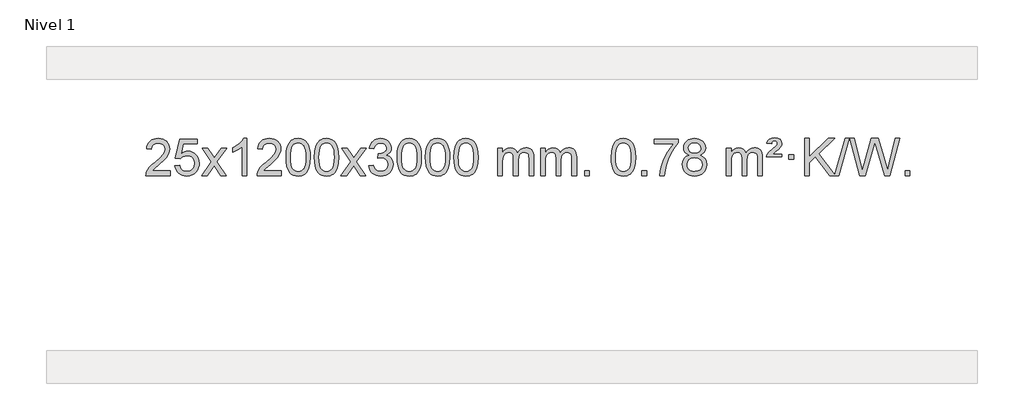
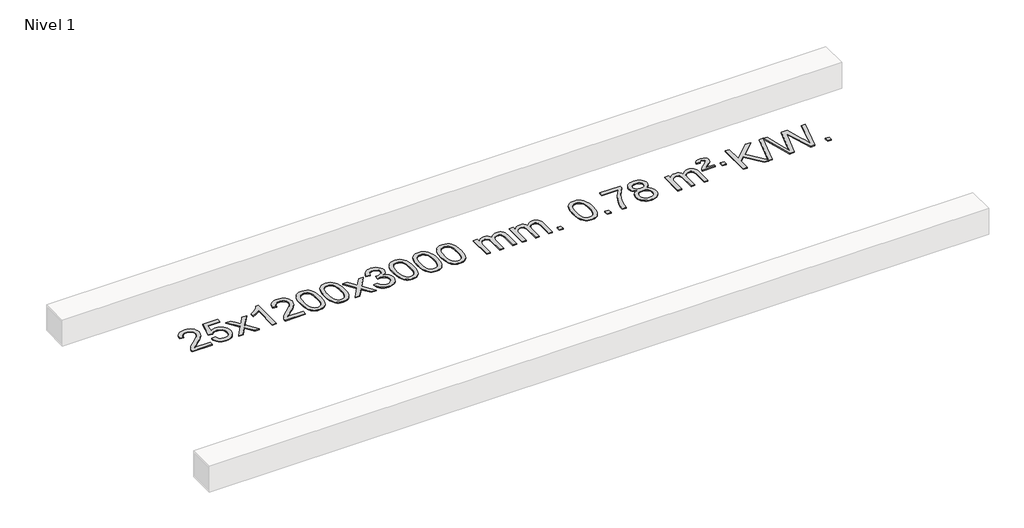
# One storey, part 2 of 7: 1 proxy.
"""IFC4 building model written with IfcOpenShell, lengths in millimetres."""

from ifc_helpers import new_model, si_unit, origin, origin_with_axes, place, context, project, spatial, polyline, outline, extrude, element, save

model = new_model("IFC4")

# Units and contexts
model_context = context("Model", 3, world=origin())
ifc_project = project(units=[si_unit("LENGTHUNIT", "METRE", prefix="MILLI")], contexts=[model_context])

# Site, building, storey
site = spatial("IfcSite", under=ifc_project)
building = spatial("IfcBuilding", under=site)
storey = spatial("IfcBuildingStorey", under=building, Name="Nivel 1", Elevation=0.0)

# Proxy
placement = place(None, origin())
element("IfcBuildingElementProxy", 1, Name="Texto de modelo 1", ObjectType="Texto de modelo 1", at=placement, inside=storey, context=model_context, shape_type="SweptSolid", body=[
    extrude(outline(polyline([(-23553.723944, -966.0966486), (-23553.723944, -1016.3248037), (-23817.4217581, -1016.3248037), (-23816.3181122, -998.6419425), (-23812.0261556, -981.6948452), (-23799.640795, -954.6309931), (-23781.5164754, -928.3764814), (-23755.2987519, -900.8956963), (-23718.6331797, -870.1530243), (-23664.4318991, -822.0095338), (-23631.9111307, -786.4721331), (-23615.6507465, -757.6301847), (-23610.2306185, -729.5730512), (-23615.3441782, -704.4221855), (-23630.6848574, -683.5142254), (-23654.2660933, -669.424345), (-23684.1013231, -664.7277182), (-23715.4326064, -669.3139804), (-23739.7741317, -683.072767), (-23755.4826929, -704.9249575), (-23760.9150837, -733.7914314), (-23811.1432388, -727.512912), (-23806.823691, -701.5833627), (-23798.9663447, -678.9279632), (-23787.5711999, -659.5467134), (-23772.6382566, -643.4396134), (-23754.5108713, -630.7783414), (-23733.5324005, -621.7345757), (-23709.7028443, -616.3083162), (-23683.0222026, -614.4995631), (-23656.1024376, -616.5106513), (-23632.1441226, -622.5439161), (-23611.1472578, -632.5993573), (-23593.111843, -646.6769749), (-23578.6264894, -663.7344368), (-23568.2798083, -682.7294105), (-23562.0717996, -703.661896), (-23560.0024634, -726.5318934), (-23562.2342808, -750.5545876), (-23568.9297331, -774.160349), (-23580.8123216, -798.1707806), (-23598.6055474, -823.4074854), (-23626.9692492, -853.5370208), (-23670.5632657, -892.225944), (-23728.3452644, -940.5411127), (-23751.0067953, -966.0966486), (-23553.723944, -966.0966486)])), origin_with_axes(), (0.0, 0.0, 1.0), 10.0),
    extrude(outline(polyline([(-23503.4957889, -909.5899742), (-23453.2676339, -903.3114548), (-23444.0460585, -933.4655156), (-23427.9573526, -955.0601888), (-23405.0750925, -968.0464232), (-23375.4728546, -972.375168), (-23356.3429909, -970.8699175), (-23339.46947, -966.354166), (-23324.8522921, -958.8279135), (-23312.491457, -948.2911601), (-23302.6628764, -935.2650717), (-23295.6424617, -920.2708148), (-23290.0261299, -884.3777948), (-23295.2868424, -850.5817021), (-23301.8627331, -836.6635), (-23311.06898, -824.7318606), (-23322.93624, -815.1607974), (-23337.49517, -808.3243236), (-23374.6880397, -802.8551446), (-23399.0540905, -805.0379111), (-23418.7848282, -811.5862106), (-23434.5424403, -821.6171264), (-23446.9891145, -834.2477415), (-23497.2172695, -827.9692222), (-23453.2676339, -620.7780825), (-23258.6335329, -620.7780825), (-23258.6335329, -671.0062376), (-23412.6534616, -671.0062376), (-23434.1377701, -781.6651417), (-23416.4119893, -768.9609501), (-23398.2570128, -759.8865276), (-23379.6728407, -754.4418741), (-23360.6594729, -752.6269896), (-23336.1983859, -754.8772011), (-23313.7299931, -761.6278357), (-23293.2542944, -772.8788934), (-23274.7712898, -788.6303741), (-23259.4704645, -807.9196534), (-23248.5413035, -829.7841067), (-23241.983807, -854.2237339), (-23239.7979748, -881.2385351), (-23241.7661435, -907.2600549), (-23247.6706495, -931.4666901), (-23257.5114929, -953.8584409), (-23271.2886736, -974.4353072), (-23292.1598454, -995.5088141), (-23316.5136335, -1010.5613191), (-23344.3500378, -1019.5928221), (-23375.6690583, -1022.6033231), (-23401.5894106, -1020.6688769), (-23425.0020339, -1014.8655384), (-23445.9069283, -1005.1933077), (-23464.3040937, -991.6521846), (-23479.6110504, -974.9166195), (-23491.2453185, -955.6610627), (-23499.206898, -933.8855143), (-23503.4957889, -909.5899742)])), origin_with_axes(), (0.0, 0.0, 1.0), 10.0),
    extrude(outline(polyline([(-23214.6838972, -1016.3248037), (-23107.3604565, -867.9947832), (-23208.4053779, -721.2343926), (-23147.9746288, -721.2343926), (-23099.2180017, -791.8677357), (-23076.4583689, -825.2223699), (-23056.739894, -797.9500514), (-23001.2142382, -721.2343926), (-22940.7834891, -721.2343926), (-23046.9297074, -867.9947832), (-22944.7075637, -1016.3248037), (-23005.1383128, -1016.3248037), (-23066.6481824, -927.1502081), (-23077.9298969, -910.8652984), (-23154.2531482, -1016.3248037), (-23214.6838972, -1016.3248037)])), origin_with_axes(), (0.0, 0.0, 1.0), 10.0),
    extrude(outline(polyline([(-22724.9593853, -1016.3248037), (-22775.1875403, -1016.3248037), (-22775.1875403, -703.1836494), (-22796.1568141, -720.1430094), (-22822.7669451, -737.0778439), (-22875.6438505, -762.4371761), (-22875.6438505, -714.9558732), (-22836.1946379, -693.4960902), (-22802.0184005, -667.9650797), (-22775.0771757, -640.8153885), (-22757.3330008, -614.4995631), (-22724.9593853, -614.4995631), (-22724.9593853, -1016.3248037)])), origin_with_axes(), (0.0, 0.0, 1.0), 10.0),
    extrude(outline(polyline([(-22348.2482222, -966.0966486), (-22348.2482222, -1016.3248037), (-22611.9460364, -1016.3248037), (-22610.8423904, -998.6419425), (-22606.5504338, -981.6948452), (-22594.1650733, -954.6309931), (-22576.0407536, -928.3764814), (-22549.8230301, -900.8956963), (-22513.1574579, -870.1530243), (-22458.9561773, -822.0095338), (-22426.4354089, -786.4721331), (-22410.1750247, -757.6301847), (-22404.7548967, -729.5730512), (-22409.8684564, -704.4221855), (-22425.2091356, -683.5142254), (-22448.7903715, -669.424345), (-22478.6256013, -664.7277182), (-22509.9568846, -669.3139804), (-22534.2984099, -683.072767), (-22550.0069711, -704.9249575), (-22555.4393619, -733.7914314), (-22605.667517, -727.512912), (-22601.3479692, -701.5833627), (-22593.4906229, -678.9279632), (-22582.0954781, -659.5467134), (-22567.1625348, -643.4396134), (-22549.0351495, -630.7783414), (-22528.0566787, -621.7345757), (-22504.2271225, -616.3083162), (-22477.5464808, -614.4995631), (-22450.6267158, -616.5106513), (-22426.6684008, -622.5439161), (-22405.671536, -632.5993573), (-22387.6361212, -646.6769749), (-22373.1507676, -663.7344368), (-22362.8040865, -682.7294105), (-22356.5960778, -703.661896), (-22354.5267416, -726.5318934), (-22356.758559, -750.5545876), (-22363.4540113, -774.160349), (-22375.3365998, -798.1707806), (-22393.1298256, -823.4074854), (-22421.4935274, -853.5370208), (-22465.0875439, -892.225944), (-22522.8695426, -940.5411127), (-22545.5310735, -966.0966486), (-22348.2482222, -966.0966486)])), origin_with_axes(), (0.0, 0.0, 1.0), 10.0),
    extrude(outline(polyline([(-22298.0200671, -818.649545), (-22294.3289844, -754.3315095), (-22283.2557364, -703.0364966), (-22264.9106876, -663.9796914), (-22253.0526246, -648.7463112), (-22239.4042026, -636.3762791), (-22223.9194363, -626.8052158), (-22206.5523404, -619.9687421), (-22166.1711601, -614.4995631), (-22135.2200215, -617.7369247), (-22107.5062446, -627.4490093), (-22084.3296789, -643.2556724), (-22066.9901742, -664.7767691), (-22053.8935751, -691.8283585), (-22043.4457265, -724.2264995), (-22036.6031214, -765.3679693), (-22034.322253, -818.649545), (-22037.9765475, -882.5996984), (-22048.9394309, -933.772084), (-22067.1741152, -972.8656773), (-22079.004587, -988.1450429), (-22092.643812, -1000.5794543), (-22108.1469724, -1010.2148969), (-22125.5692505, -1017.0973559), (-22166.1711601, -1022.6033231), (-22193.8358861, -1020.2120901), (-22218.3613524, -1013.0383912), (-22239.7475591, -1001.0822264), (-22257.9945061, -984.3435956), (-22275.505689, -954.0853015), (-22288.0136769, -916.3835283), (-22295.5184696, -871.2382762), (-22298.0200671, -818.649545)]), holes=[polyline([(-22247.7919121, -818.5514431), (-22246.3203841, -862.2159702), (-22241.9058001, -897.5602329), (-22234.5481602, -924.5842311), (-22224.2474644, -943.2879649), (-22211.7885275, -956.0136163), (-22197.9561644, -965.1033672), (-22182.7503753, -970.5572178), (-22166.1711601, -972.375168), (-22149.5919448, -970.5510864), (-22134.3861557, -965.0788418), (-22120.5537927, -955.958434), (-22108.0948558, -943.1898631), (-22097.7941599, -924.4554724), (-22090.43652, -897.4376056), (-22086.021936, -862.1362625), (-22084.5504081, -818.5514431), (-22085.9728851, -776.0426785), (-22090.2403163, -741.3207496), (-22097.3527015, -714.3856562), (-22107.3100408, -695.2373983), (-22119.5605113, -681.8894132), (-22133.5522898, -672.3551382), (-22149.2853765, -666.6345732), (-22166.7597713, -664.7277182), (-22183.2531474, -666.4077126), (-22198.2014191, -671.4476959), (-22211.6045865, -679.8476682), (-22223.4626494, -691.6076293), (-22234.1067018, -712.4542757), (-22241.7095964, -740.5604601), (-22246.2713331, -775.9261826), (-22247.7919121, -818.5514431)])]), origin_with_axes(), (0.0, 0.0, 1.0), 10.0),
    extrude(outline(polyline([(-21990.3726173, -818.649545), (-21986.6815346, -754.3315095), (-21975.6082866, -703.0364966), (-21957.2632377, -663.9796914), (-21945.4051748, -648.7463112), (-21931.7567527, -636.3762791), (-21916.2719864, -626.8052158), (-21898.9048906, -619.9687421), (-21858.5237102, -614.4995631), (-21827.5725717, -617.7369247), (-21799.8587947, -627.4490093), (-21776.682229, -643.2556724), (-21759.3427243, -664.7767691), (-21746.2461253, -691.8283585), (-21735.7982766, -724.2264995), (-21728.9556715, -765.3679693), (-21726.6748032, -818.649545), (-21730.3290976, -882.5996984), (-21741.2919811, -933.772084), (-21759.5266653, -972.8656773), (-21771.3571372, -988.1450429), (-21784.9963621, -1000.5794543), (-21800.4995225, -1010.2148969), (-21817.9218007, -1017.0973559), (-21858.5237102, -1022.6033231), (-21886.1884363, -1020.2120901), (-21910.7139026, -1013.0383912), (-21932.1001093, -1001.0822264), (-21950.3470562, -984.3435956), (-21967.8582392, -954.0853015), (-21980.366227, -916.3835283), (-21987.8710197, -871.2382762), (-21990.3726173, -818.649545)]), holes=[polyline([(-21940.1444622, -818.5514431), (-21938.6729342, -862.2159702), (-21934.2583503, -897.5602329), (-21926.9007104, -924.5842311), (-21916.6000145, -943.2879649), (-21904.1410776, -956.0136163), (-21890.3087146, -965.1033672), (-21875.1029255, -970.5572178), (-21858.5237102, -972.375168), (-21841.944495, -970.5510864), (-21826.7387058, -965.0788418), (-21812.9063428, -955.958434), (-21800.4474059, -943.1898631), (-21790.1467101, -924.4554724), (-21782.7890702, -897.4376056), (-21778.3744862, -862.1362625), (-21776.9029582, -818.5514431), (-21778.3254353, -776.0426785), (-21782.5928664, -741.3207496), (-21789.7052517, -714.3856562), (-21799.662591, -695.2373983), (-21811.9130614, -681.8894132), (-21825.90484, -672.3551382), (-21841.6379267, -666.6345732), (-21859.1123214, -664.7277182), (-21875.6056975, -666.4077126), (-21890.5539693, -671.4476959), (-21903.9571366, -679.8476682), (-21915.8151996, -691.6076293), (-21926.459252, -712.4542757), (-21934.0621466, -740.5604601), (-21938.6238833, -775.9261826), (-21940.1444622, -818.5514431)])]), origin_with_axes(), (0.0, 0.0, 1.0), 10.0),
    extrude(outline(polyline([(-21701.5607256, -1016.3248037), (-21594.2372849, -867.9947832), (-21695.2822062, -721.2343926), (-21634.8514572, -721.2343926), (-21586.0948301, -791.8677357), (-21563.3351973, -825.2223699), (-21543.6167224, -797.9500514), (-21488.0910666, -721.2343926), (-21427.6603175, -721.2343926), (-21533.8065358, -867.9947832), (-21431.5843921, -1016.3248037), (-21492.0151412, -1016.3248037), (-21553.5250108, -927.1502081), (-21564.8067253, -910.8652984), (-21641.1299765, -1016.3248037), (-21701.5607256, -1016.3248037)])), origin_with_axes(), (0.0, 0.0, 1.0), 10.0),
    extrude(outline(polyline([(-21400.1917952, -909.5899742), (-21349.9636401, -903.3114548), (-21338.7187138, -934.87573), (-21322.2498631, -956.1883602), (-21299.7477478, -968.3284661), (-21270.4030273, -972.375168), (-21235.9692725, -966.8078871), (-21221.6954511, -959.8487861), (-21209.383667, -950.1060446), (-21192.3875188, -925.1881708), (-21186.7221361, -894.9727962), (-21192.3384679, -866.2902633), (-21209.1874633, -843.0278585), (-21234.6939483, -827.6136029), (-21266.2827489, -822.4755177), (-21301.5013186, -827.9692222), (-21295.9095123, -777.7410671), (-21287.8651593, -778.3296783), (-21257.7724121, -774.7244347), (-21230.8679755, -763.9087041), (-21219.7947275, -755.729461), (-21211.8852646, -745.6127062), (-21207.1395868, -733.5584395), (-21205.5576943, -719.5666609), (-21210.1439565, -697.8738859), (-21223.9027431, -680.2768638), (-21244.8965423, -668.6150046), (-21271.1878422, -664.7277182), (-21297.5281931, -668.6517928), (-21319.0615525, -680.4240166), (-21334.7823764, -700.0443897), (-21343.6851207, -727.512912), (-21393.9132758, -721.2343926), (-21387.9597188, -697.2546179), (-21379.1244196, -676.13206), (-21367.407378, -657.866719), (-21352.8085942, -642.4585947), (-21335.7879205, -630.2265184), (-21316.8052096, -621.489321), (-21295.8604613, -616.2470026), (-21272.9536758, -614.4995631), (-21241.3771379, -617.9453911), (-21212.3757739, -628.2828752), (-21187.923884, -644.5923103), (-21169.9957681, -665.9539915), (-21158.9960964, -690.565297), (-21155.3295392, -716.623605), (-21158.8121554, -740.9038166), (-21169.2600041, -762.9276854), (-21186.5259324, -781.6896672), (-21210.4627875, -796.1842178), (-21179.0211397, -808.8884093), (-21155.7219466, -830.5198707), (-21141.3009724, -859.9013793), (-21136.493981, -895.855713), (-21138.8974767, -921.3376725), (-21146.1079638, -944.8085438), (-21158.1254423, -966.2683269), (-21174.9499123, -985.7170217), (-21195.4470708, -1001.8547786), (-21218.482615, -1013.3817477), (-21244.0565451, -1020.2979292), (-21272.1688608, -1022.6033231), (-21297.577244, -1020.6351544), (-21320.7292842, -1014.7306484), (-21341.6249815, -1004.889805), (-21360.264336, -991.1126243), (-21375.8931894, -974.2084466), (-21387.7573837, -954.9866124), (-21395.856919, -933.4471215), (-21400.1917952, -909.5899742)])), origin_with_axes(), (0.0, 0.0, 1.0), 10.0),
    extrude(outline(polyline([(-21092.5443453, -818.649545), (-21088.8532627, -754.3315095), (-21077.7800146, -703.0364966), (-21059.4349658, -663.9796914), (-21047.5769028, -648.7463112), (-21033.9284808, -636.3762791), (-21018.4437145, -626.8052158), (-21001.0766186, -619.9687421), (-20960.6954383, -614.4995631), (-20929.7442997, -617.7369247), (-20902.0305228, -627.4490093), (-20878.8539571, -643.2556724), (-20861.5144524, -664.7767691), (-20848.4178533, -691.8283585), (-20837.9700047, -724.2264995), (-20831.1273996, -765.3679693), (-20828.8465312, -818.649545), (-20832.5008257, -882.5996984), (-20843.4637091, -933.772084), (-20861.6983934, -972.8656773), (-20873.5288652, -988.1450429), (-20887.1680902, -1000.5794543), (-20902.6712506, -1010.2148969), (-20920.0935287, -1017.0973559), (-20960.6954383, -1022.6033231), (-20988.3601643, -1020.2120901), (-21012.8856306, -1013.0383912), (-21034.2718373, -1001.0822264), (-21052.5187843, -984.3435956), (-21070.0299672, -954.0853015), (-21082.5379551, -916.3835283), (-21090.0427478, -871.2382762), (-21092.5443453, -818.649545)]), holes=[polyline([(-21042.3161903, -818.5514431), (-21040.8446623, -862.2159702), (-21036.4300783, -897.5602329), (-21029.0724384, -924.5842311), (-21018.7717426, -943.2879649), (-21006.3128057, -956.0136163), (-20992.4804427, -965.1033672), (-20977.2746535, -970.5572178), (-20960.6954383, -972.375168), (-20944.116223, -970.5510864), (-20928.9104339, -965.0788418), (-20915.0780709, -955.958434), (-20902.619134, -943.1898631), (-20892.3184381, -924.4554724), (-20884.9607982, -897.4376056), (-20880.5462143, -862.1362625), (-20879.0746863, -818.5514431), (-20880.4971633, -776.0426785), (-20884.7645945, -741.3207496), (-20891.8769797, -714.3856562), (-20901.834319, -695.2373983), (-20914.0847895, -681.8894132), (-20928.076568, -672.3551382), (-20943.8096547, -666.6345732), (-20961.2840495, -664.7277182), (-20977.7774256, -666.4077126), (-20992.7256973, -671.4476959), (-21006.1288647, -679.8476682), (-21017.9869276, -691.6076293), (-21028.63098, -712.4542757), (-21036.2338746, -740.5604601), (-21040.7956114, -775.9261826), (-21042.3161903, -818.5514431)])]), origin_with_axes(), (0.0, 0.0, 1.0), 10.0),
    extrude(outline(polyline([(-20784.8968955, -818.649545), (-20781.2058128, -754.3315095), (-20770.1325648, -703.0364966), (-20751.7875159, -663.9796914), (-20739.929453, -648.7463112), (-20726.2810309, -636.3762791), (-20710.7962646, -626.8052158), (-20693.4291688, -619.9687421), (-20653.0479884, -614.4995631), (-20622.0968499, -617.7369247), (-20594.3830729, -627.4490093), (-20571.2065072, -643.2556724), (-20553.8670025, -664.7767691), (-20540.7704035, -691.8283585), (-20530.3225548, -724.2264995), (-20523.4799497, -765.3679693), (-20521.1990814, -818.649545), (-20524.8533758, -882.5996984), (-20535.8162593, -933.772084), (-20554.0509435, -972.8656773), (-20565.8814154, -988.1450429), (-20579.5206403, -1000.5794543), (-20595.0238007, -1010.2148969), (-20612.4460789, -1017.0973559), (-20653.0479884, -1022.6033231), (-20680.7127145, -1020.2120901), (-20705.2381808, -1013.0383912), (-20726.6243875, -1001.0822264), (-20744.8713344, -984.3435956), (-20762.3825174, -954.0853015), (-20774.8905052, -916.3835283), (-20782.3952979, -871.2382762), (-20784.8968955, -818.649545)]), holes=[polyline([(-20734.6687404, -818.5514431), (-20733.1972124, -862.2159702), (-20728.7826285, -897.5602329), (-20721.4249886, -924.5842311), (-20711.1242927, -943.2879649), (-20698.6653558, -956.0136163), (-20684.8329928, -965.1033672), (-20669.6272037, -970.5572178), (-20653.0479884, -972.375168), (-20636.4687732, -970.5510864), (-20621.2629841, -965.0788418), (-20607.430621, -955.958434), (-20594.9716841, -943.1898631), (-20584.6709883, -924.4554724), (-20577.3133484, -897.4376056), (-20572.8987644, -862.1362625), (-20571.4272364, -818.5514431), (-20572.8497135, -776.0426785), (-20577.1171446, -741.3207496), (-20584.2295299, -714.3856562), (-20594.1868692, -695.2373983), (-20606.4373396, -681.8894132), (-20620.4291182, -672.3551382), (-20636.1622049, -666.6345732), (-20653.6365996, -664.7277182), (-20670.1299757, -666.4077126), (-20685.0782475, -671.4476959), (-20698.4814148, -679.8476682), (-20710.3394778, -691.6076293), (-20720.9835302, -712.4542757), (-20728.5864248, -740.5604601), (-20733.1481615, -775.9261826), (-20734.6687404, -818.5514431)])]), origin_with_axes(), (0.0, 0.0, 1.0), 10.0),
    extrude(outline(polyline([(-20477.2494457, -818.649545), (-20473.558363, -754.3315095), (-20462.4851149, -703.0364966), (-20444.1400661, -663.9796914), (-20432.2820031, -648.7463112), (-20418.6335811, -636.3762791), (-20403.1488148, -626.8052158), (-20385.7817189, -619.9687421), (-20345.4005386, -614.4995631), (-20314.4494001, -617.7369247), (-20286.7356231, -627.4490093), (-20263.5590574, -643.2556724), (-20246.2195527, -664.7767691), (-20233.1229537, -691.8283585), (-20222.675105, -724.2264995), (-20215.8324999, -765.3679693), (-20213.5516315, -818.649545), (-20217.205926, -882.5996984), (-20228.1688095, -933.772084), (-20246.4034937, -972.8656773), (-20258.2339655, -988.1450429), (-20271.8731905, -1000.5794543), (-20287.3763509, -1010.2148969), (-20304.7986291, -1017.0973559), (-20345.4005386, -1022.6033231), (-20373.0652646, -1020.2120901), (-20397.590731, -1013.0383912), (-20418.9769376, -1001.0822264), (-20437.2238846, -984.3435956), (-20454.7350676, -954.0853015), (-20467.2430554, -916.3835283), (-20474.7478481, -871.2382762), (-20477.2494457, -818.649545)]), holes=[polyline([(-20427.0212906, -818.5514431), (-20425.5497626, -862.2159702), (-20421.1351787, -897.5602329), (-20413.7775388, -924.5842311), (-20403.4768429, -943.2879649), (-20391.017906, -956.0136163), (-20377.185543, -965.1033672), (-20361.9797538, -970.5572178), (-20345.4005386, -972.375168), (-20328.8213234, -970.5510864), (-20313.6155342, -965.0788418), (-20299.7831712, -955.958434), (-20287.3242343, -943.1898631), (-20277.0235384, -924.4554724), (-20269.6658985, -897.4376056), (-20265.2513146, -862.1362625), (-20263.7797866, -818.5514431), (-20265.2022637, -776.0426785), (-20269.4696948, -741.3207496), (-20276.58208, -714.3856562), (-20286.5394194, -695.2373983), (-20298.7898898, -681.8894132), (-20312.7816684, -672.3551382), (-20328.514755, -666.6345732), (-20345.9891498, -664.7277182), (-20362.4825259, -666.4077126), (-20377.4307976, -671.4476959), (-20390.833965, -679.8476682), (-20402.692028, -691.6076293), (-20413.3360804, -712.4542757), (-20420.9389749, -740.5604601), (-20425.5007117, -775.9261826), (-20427.0212906, -818.5514431)])]), origin_with_axes(), (0.0, 0.0, 1.0), 10.0),
    extrude(outline(polyline([(-20000.0819725, -1016.3248037), (-20000.0819725, -721.2343926), (-19949.8538174, -721.2343926), (-19949.8538174, -769.794816), (-19934.7461301, -747.4889044), (-19915.3219608, -730.0145096), (-19892.2434969, -718.7205323), (-19866.1729262, -714.9558732), (-19838.23842, -718.7941087), (-19815.8466693, -730.3088152), (-19799.1203012, -748.7397031), (-19788.1819432, -773.3264831), (-19769.8736826, -747.7893413), (-19748.990248, -729.5485257), (-19725.5316395, -718.6040364), (-19699.4978569, -714.9558732), (-19679.3900402, -716.4733865), (-19661.7409015, -721.0259262), (-19646.5504408, -728.6134923), (-19633.8186581, -739.2360849), (-19623.7540198, -753.0163313), (-19616.5649925, -770.0768589), (-19612.2515761, -790.4176675), (-19610.8137706, -814.0387573), (-19610.8137706, -1016.3248037), (-19661.0419257, -1016.3248037), (-19661.0419257, -835.6211677), (-19662.2068854, -810.5684038), (-19665.7017643, -793.6826202), (-19672.2500638, -782.1188628), (-19682.5752852, -773.0321776), (-19695.8558252, -767.1460656), (-19711.2700808, -765.1840283), (-19738.4810857, -770.2117489), (-19760.66437, -785.2949107), (-19769.269743, -796.8647995), (-19775.416438, -811.4635833), (-19780.333794, -849.7478363), (-19780.333794, -1016.3248037), (-19830.5619491, -1016.3248037), (-19830.5619491, -830.0293613), (-19833.4682168, -801.6288713), (-19842.1870201, -781.3708361), (-19857.5276993, -769.2307303), (-19880.2995948, -765.1840283), (-19899.6501878, -767.8818296), (-19917.4802018, -775.9752335), (-19932.1954816, -789.2680363), (-19942.2018719, -807.5640342), (-19947.940831, -832.9478918), (-19949.8538174, -867.5042739), (-19949.8538174, -1016.3248037), (-20000.0819725, -1016.3248037)])), origin_with_axes(), (0.0, 0.0, 1.0), 10.0),
    extrude(outline(polyline([(-19535.471538, -1016.3248037), (-19535.471538, -721.2343926), (-19485.2433829, -721.2343926), (-19485.2433829, -769.794816), (-19470.1356957, -747.4889044), (-19450.7115263, -730.0145096), (-19427.6330625, -718.7205323), (-19401.5624918, -714.9558732), (-19373.6279856, -718.7941087), (-19351.2362348, -730.3088152), (-19334.5098668, -748.7397031), (-19323.5715088, -773.3264831), (-19305.2632482, -747.7893413), (-19284.3798136, -729.5485257), (-19260.921205, -718.6040364), (-19234.8874225, -714.9558732), (-19214.7796058, -716.4733865), (-19197.1304671, -721.0259262), (-19181.9400063, -728.6134923), (-19169.2082236, -739.2360849), (-19159.1435854, -753.0163313), (-19151.954558, -770.0768589), (-19147.6411417, -790.4176675), (-19146.2033362, -814.0387573), (-19146.2033362, -1016.3248037), (-19196.4314913, -1016.3248037), (-19196.4314913, -835.6211677), (-19197.5964509, -810.5684038), (-19201.0913299, -793.6826202), (-19207.6396294, -782.1188628), (-19217.9648507, -773.0321776), (-19231.2453907, -767.1460656), (-19246.6596463, -765.1840283), (-19273.8706512, -770.2117489), (-19296.0539356, -785.2949107), (-19304.6593086, -796.8647995), (-19310.8060036, -811.4635833), (-19315.7233596, -849.7478363), (-19315.7233596, -1016.3248037), (-19365.9515146, -1016.3248037), (-19365.9515146, -830.0293613), (-19368.8577824, -801.6288713), (-19377.5765857, -781.3708361), (-19392.9172649, -769.2307303), (-19415.6891604, -765.1840283), (-19435.0397533, -767.8818296), (-19452.8697674, -775.9752335), (-19467.5850472, -789.2680363), (-19477.5914374, -807.5640342), (-19483.3303966, -832.9478918), (-19485.2433829, -867.5042739), (-19485.2433829, -1016.3248037), (-19535.471538, -1016.3248037)])), origin_with_axes(), (0.0, 0.0, 1.0), 10.0),
    extrude(outline(polyline([(-19058.3040648, -1016.3248037), (-19058.3040648, -966.0966486), (-19008.0759097, -966.0966486), (-19008.0759097, -1016.3248037), (-19058.3040648, -1016.3248037)])), origin_with_axes(), (0.0, 0.0, 1.0), 10.0),
    extrude(outline(polyline([(-18769.4921731, -818.649545), (-18765.8010904, -754.3315095), (-18754.7278424, -703.0364966), (-18736.3827936, -663.9796914), (-18724.5247306, -648.7463112), (-18710.8763086, -636.3762791), (-18695.3915423, -626.8052158), (-18678.0244464, -619.9687421), (-18637.6432661, -614.4995631), (-18606.6921275, -617.7369247), (-18578.9783506, -627.4490093), (-18555.8017849, -643.2556724), (-18538.4622802, -664.7767691), (-18525.3656811, -691.8283585), (-18514.9178325, -724.2264995), (-18508.0752274, -765.3679693), (-18505.794359, -818.649545), (-18509.4486535, -882.5996984), (-18520.4115369, -933.772084), (-18538.6462212, -972.8656773), (-18550.476693, -988.1450429), (-18564.115918, -1000.5794543), (-18579.6190784, -1010.2148969), (-18597.0413565, -1017.0973559), (-18637.6432661, -1022.6033231), (-18665.3079921, -1020.2120901), (-18689.8334584, -1013.0383912), (-18711.2196651, -1001.0822264), (-18729.4666121, -984.3435956), (-18746.977795, -954.0853015), (-18759.4857829, -916.3835283), (-18766.9905756, -871.2382762), (-18769.4921731, -818.649545)]), holes=[polyline([(-18719.2640181, -818.5514431), (-18717.7924901, -862.2159702), (-18713.3779061, -897.5602329), (-18706.0202662, -924.5842311), (-18695.7195704, -943.2879649), (-18683.2606335, -956.0136163), (-18669.4282704, -965.1033672), (-18654.2224813, -970.5572178), (-18637.6432661, -972.375168), (-18621.0640508, -970.5510864), (-18605.8582617, -965.0788418), (-18592.0258987, -955.958434), (-18579.5669618, -943.1898631), (-18569.2662659, -924.4554724), (-18561.908626, -897.4376056), (-18557.494042, -862.1362625), (-18556.0225141, -818.5514431), (-18557.4449911, -776.0426785), (-18561.7124223, -741.3207496), (-18568.8248075, -714.3856562), (-18578.7821468, -695.2373983), (-18591.0326173, -681.8894132), (-18605.0243958, -672.3551382), (-18620.7574825, -666.6345732), (-18638.2318772, -664.7277182), (-18654.7252534, -666.4077126), (-18669.6735251, -671.4476959), (-18683.0766925, -679.8476682), (-18694.9347554, -691.6076293), (-18705.5788078, -712.4542757), (-18713.1817024, -740.5604601), (-18717.7434391, -775.9261826), (-18719.2640181, -818.5514431)])]), origin_with_axes(), (0.0, 0.0, 1.0), 10.0),
    extrude(outline(polyline([(-18436.7306458, -1016.3248037), (-18436.7306458, -966.0966486), (-18386.5024907, -966.0966486), (-18386.5024907, -1016.3248037), (-18436.7306458, -1016.3248037)])), origin_with_axes(), (0.0, 0.0, 1.0), 10.0),
    extrude(outline(polyline([(-18304.8817387, -671.0062376), (-18304.8817387, -620.7780825), (-18041.1839245, -620.7780825), (-18041.1839245, -661.3922547), (-18078.7692017, -708.9593967), (-18115.9865969, -769.4514595), (-18148.8139336, -837.350213), (-18173.2290353, -907.1374275), (-18185.1974629, -959.3521454), (-18191.8683898, -1016.3248037), (-18242.0965448, -1016.3248037), (-18236.664154, -964.5515442), (-18222.1328152, -903.0171492), (-18198.8949359, -837.7916714), (-18167.3429234, -774.9451639), (-18130.505673, -718.1319211), (-18091.4120796, -671.0062376), (-18304.8817387, -671.0062376)])), origin_with_axes(), (0.0, 0.0, 1.0), 10.0),
    extrude(outline(polyline([(-17924.0502973, -795.0069954), (-17950.9424711, -781.7632436), (-17969.8148175, -763.8106022), (-17980.9616419, -741.5169533), (-17984.6772501, -715.2501788), (-17982.6538991, -694.7652831), (-17976.5838462, -675.9849072), (-17966.4670913, -658.9090513), (-17952.3036345, -643.5377152), (-17934.7740574, -630.8335237), (-17914.5589418, -621.7591011), (-17891.6582876, -616.3144476), (-17866.0720948, -614.4995631), (-17840.3632747, -616.3573672), (-17817.2909423, -621.9307794), (-17796.8550974, -631.2197998), (-17779.0557402, -644.2244283), (-17764.634766, -659.8962013), (-17754.3340702, -677.1866551), (-17748.1536527, -696.0957896), (-17746.0935135, -716.623605), (-17749.7600707, -742.0442508), (-17760.7597424, -763.957755), (-17779.2151558, -781.8000318), (-17805.2489383, -795.0069954), (-17774.334588, -810.9362858), (-17751.8324726, -834.3948943), (-17738.1104742, -864.2546496), (-17733.5364747, -899.3873802), (-17735.8050803, -924.440144), (-17742.6108973, -947.4082433), (-17753.9539254, -968.2916779), (-17769.8341649, -987.0904478), (-17789.4177498, -1002.6273307), (-17811.8708142, -1013.7251043), (-17837.1933582, -1020.3837684), (-17865.3853818, -1022.6033231), (-17893.5774053, -1020.3745713), (-17918.8999493, -1013.6883161), (-17941.3530138, -1002.5445573), (-17960.9365987, -986.943295), (-17976.8168381, -968.0127007), (-17988.1598663, -946.8809457), (-17994.9656832, -923.5480302), (-17997.2342889, -898.013954), (-17992.4763484, -861.5200601), (-17978.202527, -831.5008893), (-17955.1485886, -808.9865112), (-17924.0502973, -795.0069954)]), holes=[polyline([(-17947.0061338, -896.2481205), (-17944.9092064, -915.4638234), (-17938.6184243, -934.0663896), (-17927.005616, -950.2899856), (-17908.94261, -962.3687777), (-17887.3111487, -969.8735704), (-17864.9929743, -972.375168), (-17830.8044742, -967.1144555), (-17816.9107976, -960.5385648), (-17805.1508364, -951.3323179), (-17789.1111814, -927.4322509), (-17783.7646298, -897.8177503), (-17789.2828597, -867.7004776), (-17805.8375495, -843.2731132), (-17817.9163417, -833.8308086), (-17832.0797985, -827.0863054), (-17866.660706, -821.6907028), (-17900.3709595, -827.012729), (-17914.1082864, -833.6652617), (-17925.7670799, -842.9788076), (-17941.6963703, -866.9401882), (-17947.0061338, -896.2481205)]), polyline([(-17934.449095, -716.7217068), (-17929.9977229, -738.6474737), (-17916.6436064, -756.1586567), (-17894.7791532, -767.636575), (-17864.7967706, -771.4625477), (-17835.5133638, -767.6611004), (-17813.9800043, -756.2567586), (-17800.7362525, -739.3341868), (-17796.3216686, -718.9780497), (-17800.8834053, -697.8493605), (-17814.5686155, -680.3749657), (-17836.3962806, -668.6395301), (-17865.3853818, -664.7277182), (-17894.558424, -668.5536909), (-17916.3493008, -680.0316092), (-17929.9241465, -696.8560791), (-17934.449095, -716.7217068)])]), origin_with_axes(), (0.0, 0.0, 1.0), 10.0),
    extrude(outline(polyline([(-17520.0668156, -1016.3248037), (-17520.0668156, -721.2343926), (-17469.8386606, -721.2343926), (-17469.8386606, -769.794816), (-17454.7309733, -747.4889044), (-17435.306804, -730.0145096), (-17412.2283401, -718.7205323), (-17386.1577694, -714.9558732), (-17358.2232632, -718.7941087), (-17335.8315125, -730.3088152), (-17319.1051444, -748.7397031), (-17308.1667864, -773.3264831), (-17289.8585258, -747.7893413), (-17268.9750912, -729.5485257), (-17245.5164826, -718.6040364), (-17219.4827001, -714.9558732), (-17199.3748834, -716.4733865), (-17181.7257447, -721.0259262), (-17166.535284, -728.6134923), (-17153.8035012, -739.2360849), (-17143.738863, -753.0163313), (-17136.5498357, -770.0768589), (-17132.2364193, -790.4176675), (-17130.7986138, -814.0387573), (-17130.7986138, -1016.3248037), (-17181.0267689, -1016.3248037), (-17181.0267689, -835.6211677), (-17182.1917285, -810.5684038), (-17185.6866075, -793.6826202), (-17192.234907, -782.1188628), (-17202.5601283, -773.0321776), (-17215.8406684, -767.1460656), (-17231.254924, -765.1840283), (-17258.4659289, -770.2117489), (-17280.6492132, -785.2949107), (-17289.2545862, -796.8647995), (-17295.4012812, -811.4635833), (-17300.3186372, -849.7478363), (-17300.3186372, -1016.3248037), (-17350.5467923, -1016.3248037), (-17350.5467923, -830.0293613), (-17353.45306, -801.6288713), (-17362.1718633, -781.3708361), (-17377.5125425, -769.2307303), (-17400.284438, -765.1840283), (-17419.635031, -767.8818296), (-17437.465045, -775.9752335), (-17452.1803248, -789.2680363), (-17462.1867151, -807.5640342), (-17467.9256742, -832.9478918), (-17469.8386606, -867.5042739), (-17469.8386606, -1016.3248037), (-17520.0668156, -1016.3248037)])), origin_with_axes(), (0.0, 0.0, 1.0), 10.0),
    extrude(outline(polyline([(-17086.8489781, -815.4121834), (-17083.0230054, -799.5932576), (-17074.6843468, -783.7252809), (-17053.1755128, -758.5866779), (-17021.2188302, -730.8483754), (-16977.0729908, -693.4715647), (-16969.9360801, -681.9445955), (-16967.5571098, -670.1233208), (-16969.4455707, -658.0322659), (-16975.1109535, -648.2466048), (-16984.4796816, -641.7718817), (-16997.4781788, -639.6136406), (-17009.9125902, -641.2323214), (-17018.7662835, -646.0883637), (-17025.1919557, -655.5551938), (-17030.3423037, -671.0062376), (-17080.5704587, -664.7277182), (-17069.7302026, -639.5155388), (-17053.1019364, -621.9553049), (-17029.3367595, -611.654609), (-16997.0857713, -608.2210437), (-16961.3031159, -612.3535848), (-16936.5569204, -624.751208), (-16922.1359461, -643.0839941), (-16917.3289547, -665.0220238), (-16921.4247076, -687.9288093), (-16933.7119663, -709.5602706), (-16954.2397816, -729.3768475), (-16990.70915, -757.433981), (-17016.3137369, -784.0195865), (-16917.3289547, -784.0195865), (-16917.3289547, -815.4121834), (-17086.8489781, -815.4121834)])), origin_with_axes(), (0.0, 0.0, 1.0), 10.0),
    extrude(outline(polyline([(-16841.9867221, -840.5262609), (-16841.9867221, -790.2981059), (-16791.7585671, -790.2981059), (-16791.7585671, -840.5262609), (-16841.9867221, -840.5262609)])), origin_with_axes(), (0.0, 0.0, 1.0), 10.0),
    extrude(outline(polyline([(-16401.1169391, -1016.3248037), (-16554.5482566, -813.6463498), (-16622.2385437, -878.1973772), (-16622.2385437, -1016.3248037), (-16672.4666988, -1016.3248037), (-16672.4666988, -614.4995631), (-16622.2385437, -614.4995631), (-16622.2385437, -811.1938032), (-16416.2246264, -614.4995631), (-16345.9836908, -614.4995631), (-16518.9372794, -779.7031044), (-16344.2836696, -1010.2802839), (-16232.9703419, -614.4995631), (-16187.64728, -614.4995631), (-16300.660629, -1016.3248037), (-16339.7051714, -1016.3248037), (-16345.9836908, -1016.3248037), (-16401.1169391, -1016.3248037)])), origin_with_axes(), (0.0, 0.0, 1.0), 10.0),
    extrude(outline(polyline([(-16073.1624031, -1016.3248037), (-16182.7421868, -614.4995631), (-16130.9444019, -614.4995631), (-16067.3743931, -878.5897847), (-16047.75402, -960.1124348), (-16026.7602208, -888.0075638), (-15947.1015061, -614.4995631), (-15872.4459866, -614.4995631), (-15814.565886, -812.763433), (-15789.7706395, -886.3398321), (-15771.4991671, -960.1124348), (-15752.4674052, -880.9442295), (-15688.3087853, -614.4995631), (-15636.5110003, -614.4995631), (-15746.1888858, -1016.3248037), (-15799.8506062, -1016.3248037), (-15896.186638, -706.3229091), (-15909.6265936, -663.0599865), (-15924.7342808, -715.152077), (-16012.5354503, -1016.3248037), (-16073.1624031, -1016.3248037)])), origin_with_axes(), (0.0, 0.0, 1.0), 10.0),
    extrude(outline(polyline([(-15580.0043259, -1016.3248037), (-15580.0043259, -966.0966486), (-15529.7761708, -966.0966486), (-15529.7761708, -1016.3248037), (-15580.0043259, -1016.3248037)])), origin_with_axes(), (0.0, 0.0, 1.0), 10.0),
])

save(model, "model.ifc")
